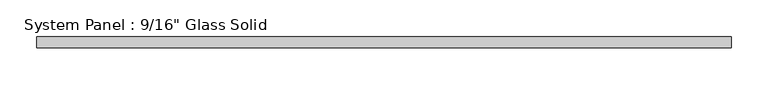
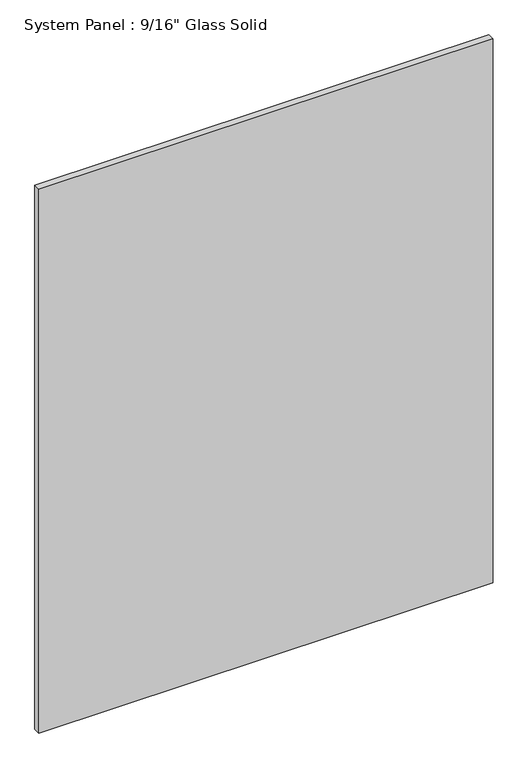
"""IFC4 building model written with IfcOpenShell, lengths in millimetres: plate geometry."""

import ifcopenshell
import ifcopenshell.guid

model = None  # the IFC model being written
_history = None  # IfcOwnerHistory: only IFC2X3 demands one
_inside = {}  # id of a spatial element -> (the spatial element, [elements in it])
_under = {}  # id of a project, library or spatial element -> (it, [spatial elements below it])
_declared = {}  # id of a project -> (the project, [libraries it declares])
_typed = {}  # id of a type object -> (the type object, [elements of that type])
_made_of = {}  # id of a material, layer set ... -> (it, [elements and type objects made of it])


def new_model(schema):
    """Start an empty IFC model of exactly this schema.

    Asked for "IFC4X3", IfcOpenShell would pick the latest addendum, in which some entities
    have other attributes; the version numbers below select the first issue.
    IFC2X3 requires an IfcOwnerHistory on every rooted entity: one is made here for all.
    """
    global model, _history
    if schema == "IFC4X3":
        model = ifcopenshell.file(schema_version=(4, 3, 0, 0))
    else:
        model = ifcopenshell.file(schema=schema)
    _inside.clear()
    _under.clear()
    _declared.clear()
    _typed.clear()
    _made_of.clear()
    _history = None
    if model.schema == "IFC2X3":
        org = make("IfcOrganization", Name="unknown")
        user = make(
            "IfcPersonAndOrganization",
            ThePerson=make("IfcPerson", FamilyName="unknown"),
            TheOrganization=org,
        )
        app = make(
            "IfcApplication",
            ApplicationDeveloper=org,
            Version="unknown",
            ApplicationFullName="unknown",
            ApplicationIdentifier="unknown",
        )
        _history = make(
            "IfcOwnerHistory",
            OwningUser=user,
            OwningApplication=app,
            ChangeAction="ADDED",
            CreationDate=0,
        )
    return model


def make(cls, **values):
    """One entity of the class cls with the attributes given. An attribute that is None is left unset."""
    return model.create_entity(
        cls, **{name: value for name, value in values.items() if value is not None}
    )


def rooted(cls, **values):
    """An entity with a GlobalId (a new one), such as an element, a storey or a relation."""
    return make(cls, GlobalId=ifcopenshell.guid.new(), OwnerHistory=_history, **values)


def si_unit(unit_type, name, prefix=None):
    """IfcSIUnit, for example si_unit("LENGTHUNIT", "METRE", prefix="MILLI")."""
    return make("IfcSIUnit", UnitType=unit_type, Prefix=prefix, Name=name)


def assignment(units):
    """IfcUnitAssignment: the units of a project."""
    return None if units is None else make("IfcUnitAssignment", Units=units)


def point(xyz):
    """IfcCartesianPoint."""
    return None if xyz is None else make("IfcCartesianPoint", Coordinates=xyz)


def direction(xyz):
    """IfcDirection."""
    return None if xyz is None else make("IfcDirection", DirectionRatios=xyz)


def frame(location, z_axis=None, x_axis=None):
    """IfcAxis2Placement3D, a coordinate frame: its origin and axes. An axis left out is left unset."""
    return make(
        "IfcAxis2Placement3D",
        Location=point(location),
        Axis=direction(z_axis),
        RefDirection=direction(x_axis),
    )


def origin():
    """The frame at (0, 0, 0) with its axes left unset."""
    return frame((0.0, 0.0, 0.0))


def origin_with_axes():
    """The frame at (0, 0, 0) with the z axis (0, 0, 1) and the x axis (1, 0, 0) written out."""
    return frame((0.0, 0.0, 0.0), z_axis=(0.0, 0.0, 1.0), x_axis=(1.0, 0.0, 0.0))


def place(relative_to, where):
    """IfcLocalPlacement: puts the frame where relative to a parent placement (None: the world)."""
    return make(
        "IfcLocalPlacement", PlacementRelTo=relative_to, RelativePlacement=where
    )


def context(
    kind, dimensions, precision=None, world=None, true_north=None, identifier=None
):
    """IfcGeometricRepresentationContext, for example the 3D "Model" context."""
    return make(
        "IfcGeometricRepresentationContext",
        ContextIdentifier=identifier,
        ContextType=kind,
        CoordinateSpaceDimension=dimensions,
        Precision=precision,
        WorldCoordinateSystem=world,
        TrueNorth=true_north,
    )


def project(units=None, contexts=None):
    """IfcProject with its units and contexts."""
    return rooted(
        "IfcProject",
        Name="project",
        RepresentationContexts=contexts,
        UnitsInContext=assignment(units),
    )


def spatial(cls, under=None, at=None, **own):
    """A site, building, storey or space (cls), placed at a placement, below another one or the project."""
    s = rooted(cls, ObjectPlacement=at, **own)
    if under is not None:
        _under.setdefault(under.id(), (under, []))[1].append(s)
    return s


def polyline(points):
    """IfcPolyline through the points."""
    return make("IfcPolyline", Points=[point(p) for p in points])


def outline(outer, holes=None, kind="AREA"):
    """IfcArbitraryClosedProfileDef: a profile drawn as a closed curve; with holes, ...WithVoids."""
    if holes is None:
        return make("IfcArbitraryClosedProfileDef", ProfileType=kind, OuterCurve=outer)
    return make(
        "IfcArbitraryProfileDefWithVoids",
        ProfileType=kind,
        OuterCurve=outer,
        InnerCurves=holes,
    )


def extrude(swept, where, along, depth):
    """IfcExtrudedAreaSolid: the profile swept, set in the frame where, extruded along a direction by depth."""
    return make(
        "IfcExtrudedAreaSolid",
        SweptArea=swept,
        Position=where,
        ExtrudedDirection=direction(along),
        Depth=depth,
    )


def shape(context_of_items, identifier, shape_type, items):
    """IfcShapeRepresentation: the items that make up one representation, for example the "Body"."""
    return make(
        "IfcShapeRepresentation",
        ContextOfItems=context_of_items,
        RepresentationIdentifier=identifier,
        RepresentationType=shape_type,
        Items=items,
    )


def source(mapping_origin, context_of_items, identifier, shape_type, items):
    """IfcRepresentationMap: a shape defined once, which mapped items show again and again."""
    return make(
        "IfcRepresentationMap",
        MappingOrigin=mapping_origin,
        MappedRepresentation=shape(context_of_items, identifier, shape_type, items),
    )


def transform(
    local_origin,
    x_axis=None,
    y_axis=None,
    z_axis=None,
    scale=None,
    scale2=None,
    scale3=None,
    uniform=True,
):
    """IfcCartesianTransformationOperator3D, or its non-uniform kind. x_axis, y_axis, z_axis: its Axis1, 2, 3."""
    if uniform:
        return make(
            "IfcCartesianTransformationOperator3D",
            Axis1=direction(x_axis),
            Axis2=direction(y_axis),
            LocalOrigin=point(local_origin),
            Scale=scale,
            Axis3=direction(z_axis),
        )
    return make(
        "IfcCartesianTransformationOperator3DnonUniform",
        Axis1=direction(x_axis),
        Axis2=direction(y_axis),
        LocalOrigin=point(local_origin),
        Scale=scale,
        Axis3=direction(z_axis),
        Scale2=scale2,
        Scale3=scale3,
    )


def mapped(mapping_source, mapping_target):
    """IfcMappedItem: shows the shape of a source again, moved by a transform."""
    return make(
        "IfcMappedItem", MappingSource=mapping_source, MappingTarget=mapping_target
    )


def made_of(thing, what):
    """Note that an element or type object is made of a material, layer set ...; save() writes the relation."""
    if what is not None:
        _made_of.setdefault(what.id(), (what, []))[1].append(thing)
    return thing


def element(
    cls,
    number,
    at=None,
    inside=None,
    cuts=None,
    type_object=None,
    material=None,
    context=None,
    identifier="Body",
    shape_type=None,
    held_by="IfcProductDefinitionShape",
    body=None,
    shapes=None,
    **own,
):
    """One element of the class cls, such as IfcWall. Its Tag is "e" and its number.

    at: its placement. inside: the storey or other place that contains it. cuts: it is an
    opening in that element (IfcRelVoidsElement). A single representation is given by context,
    identifier, shape_type and body (its items); several are given by shapes. held_by: the class
    of the entity that holds the representations. save() writes the other relations.
    """
    e = rooted(cls, Tag="e%d" % number, ObjectPlacement=at, **own)
    if body is not None:
        shapes = [shape(context, identifier, shape_type, body)]
    if shapes is not None:
        e.Representation = make(held_by, Representations=shapes)
    if inside is not None:
        _inside.setdefault(inside.id(), (inside, []))[1].append(e)
    if cuts is not None:
        rooted(
            "IfcRelVoidsElement", RelatingBuildingElement=cuts, RelatedOpeningElement=e
        )
    if type_object is not None:
        _typed.setdefault(type_object.id(), (type_object, []))[1].append(e)
    return made_of(e, material)


def aggregate(whole, parts):
    """IfcRelAggregates: a whole, such as a stair, and the parts it consists of."""
    return rooted("IfcRelAggregates", RelatingObject=whole, RelatedObjects=parts)


def save(model, path):
    """Write the relations noted so far, then the file.

    IfcRelAggregates (storeys below a building ...), IfcRelContainedInSpatialStructure (elements
    in a storey), IfcRelDefinesByType, IfcRelAssociatesMaterial and IfcRelDeclares: one each for
    every whole, place, type object, material and project.
    """
    for whole, parts in _under.values():
        aggregate(whole, parts)
    for where, things in _inside.values():
        rooted(
            "IfcRelContainedInSpatialStructure",
            RelatedElements=things,
            RelatingStructure=where,
        )
    for kind, things in _typed.values():
        rooted("IfcRelDefinesByType", RelatedObjects=things, RelatingType=kind)
    for what, things in _made_of.values():
        rooted("IfcRelAssociatesMaterial", RelatedObjects=things, RelatingMaterial=what)
    for by, libraries in _declared.values():
        rooted("IfcRelDeclares", RelatingContext=by, RelatedDefinitions=libraries)
    model.write(path)


def plate_9970e558(model_context):
    return source(origin(), model_context, "Body", "SweptSolid", [
        extrude(outline(polyline([(469.3220691, -7.14375), (-469.3220691, -7.14375), (-469.3220691, 7.14375), (469.3220691, 7.14375), (469.3220691, -7.14375)])), origin_with_axes(), (0.0, 0.0, 1.0), 1187.4517704),
    ])


if __name__ == "__main__":
    model = new_model("IFC4")
    model_context = context("Model", 3, world=origin())
    ifc_project = project(units=[si_unit("LENGTHUNIT", "METRE", prefix="MILLI")], contexts=[model_context])
    site = spatial("IfcSite", under=ifc_project)
    building = spatial("IfcBuilding", under=site)
    placement = place(None, origin())
    plate_shape = plate_9970e558(model_context)
    element("IfcPlate", 1, ObjectType="System Panel : 9/16\" Glass Solid", at=placement, inside=building, context=model_context, shape_type="MappedRepresentation", body=[
        mapped(plate_shape, transform((0.0, 0.0, 0.0), x_axis=(1.0, 0.0, 0.0), y_axis=(0.0, 1.0, 0.0), z_axis=(0.0, 0.0, 1.0))),
    ])
    save(model, "model.ifc")
